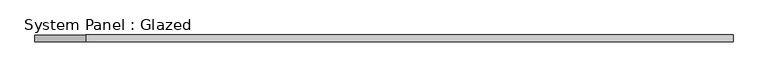
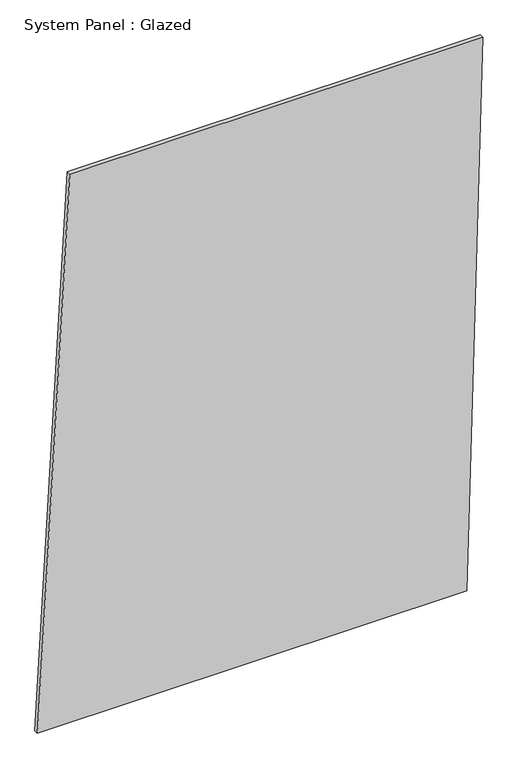
"""IFC4 building model written with IfcOpenShell, lengths in millimetres: plate geometry, System Panel : Glazed."""

from ifc_helpers import new_model, si_unit, frame, origin, place, context, project, spatial, polyline, outline, extrude, source, transform, mapped, element, save


def system_panel_glazed_a40bc5ec(model_context):
    return source(origin(), model_context, "Body", "SweptSolid", [
        extrude(outline(polyline([(0.0, -1283.1118257), (0.0, 1190.1130668), (3339.9757421, 1283.1118257), (3339.9757421, -1097.1143078), (0.0, -1283.1118257)])), frame((0.0, -49.5, 0.0), z_axis=(0.0, 1.0, 0.0), x_axis=(0.0, 0.0, 1.0)), (0.0, 0.0, 1.0), 25.0),
    ])


if __name__ == "__main__":
    model = new_model("IFC4")
    model_context = context("Model", 3, world=origin())
    ifc_project = project(units=[si_unit("LENGTHUNIT", "METRE", prefix="MILLI")], contexts=[model_context])
    site = spatial("IfcSite", under=ifc_project)
    building = spatial("IfcBuilding", under=site)
    placement = place(None, origin())
    system_panel_glazed_shape = system_panel_glazed_a40bc5ec(model_context)
    element("IfcPlate", 1, ObjectType="System Panel : Glazed", at=placement, inside=building, context=model_context, shape_type="MappedRepresentation", body=[
        mapped(system_panel_glazed_shape, transform((0.0, 0.0, 0.0), x_axis=(1.0, 0.0, 0.0), y_axis=(0.0, 1.0, 0.0), z_axis=(0.0, 0.0, 1.0))),
    ])
    save(model, "model.ifc")
